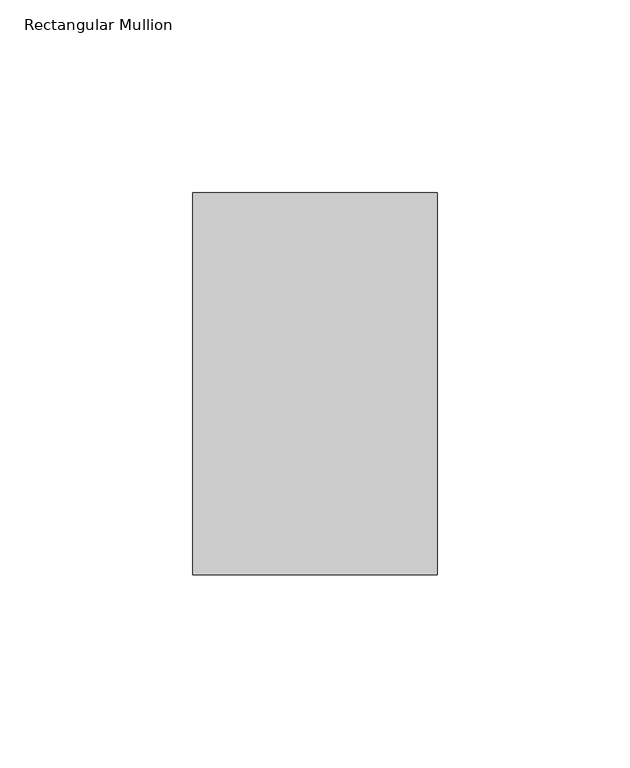
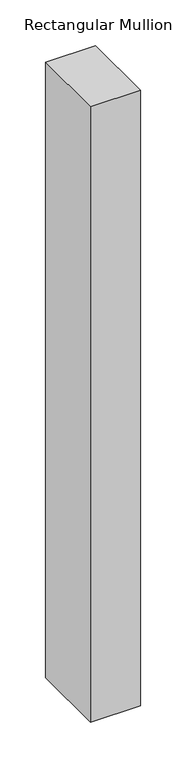
"""IFC4 building model written with IfcOpenShell, lengths in millimetres: member geometry, Rectangular Mullion."""

import ifcopenshell
import ifcopenshell.guid

model = None  # the IFC model being written
_history = None  # IfcOwnerHistory: only IFC2X3 demands one
_inside = {}  # id of a spatial element -> (the spatial element, [elements in it])
_under = {}  # id of a project, library or spatial element -> (it, [spatial elements below it])
_declared = {}  # id of a project -> (the project, [libraries it declares])
_typed = {}  # id of a type object -> (the type object, [elements of that type])
_made_of = {}  # id of a material, layer set ... -> (it, [elements and type objects made of it])


def new_model(schema):
    """Start an empty IFC model of exactly this schema.

    Asked for "IFC4X3", IfcOpenShell would pick the latest addendum, in which some entities
    have other attributes; the version numbers below select the first issue.
    IFC2X3 requires an IfcOwnerHistory on every rooted entity: one is made here for all.
    """
    global model, _history
    if schema == "IFC4X3":
        model = ifcopenshell.file(schema_version=(4, 3, 0, 0))
    else:
        model = ifcopenshell.file(schema=schema)
    _inside.clear()
    _under.clear()
    _declared.clear()
    _typed.clear()
    _made_of.clear()
    _history = None
    if model.schema == "IFC2X3":
        org = make("IfcOrganization", Name="unknown")
        user = make(
            "IfcPersonAndOrganization",
            ThePerson=make("IfcPerson", FamilyName="unknown"),
            TheOrganization=org,
        )
        app = make(
            "IfcApplication",
            ApplicationDeveloper=org,
            Version="unknown",
            ApplicationFullName="unknown",
            ApplicationIdentifier="unknown",
        )
        _history = make(
            "IfcOwnerHistory",
            OwningUser=user,
            OwningApplication=app,
            ChangeAction="ADDED",
            CreationDate=0,
        )
    return model


def make(cls, **values):
    """One entity of the class cls with the attributes given. An attribute that is None is left unset."""
    return model.create_entity(
        cls, **{name: value for name, value in values.items() if value is not None}
    )


def rooted(cls, **values):
    """An entity with a GlobalId (a new one), such as an element, a storey or a relation."""
    return make(cls, GlobalId=ifcopenshell.guid.new(), OwnerHistory=_history, **values)


def si_unit(unit_type, name, prefix=None):
    """IfcSIUnit, for example si_unit("LENGTHUNIT", "METRE", prefix="MILLI")."""
    return make("IfcSIUnit", UnitType=unit_type, Prefix=prefix, Name=name)


def assignment(units):
    """IfcUnitAssignment: the units of a project."""
    return None if units is None else make("IfcUnitAssignment", Units=units)


def point(xyz):
    """IfcCartesianPoint."""
    return None if xyz is None else make("IfcCartesianPoint", Coordinates=xyz)


def direction(xyz):
    """IfcDirection."""
    return None if xyz is None else make("IfcDirection", DirectionRatios=xyz)


def frame(location, z_axis=None, x_axis=None):
    """IfcAxis2Placement3D, a coordinate frame: its origin and axes. An axis left out is left unset."""
    return make(
        "IfcAxis2Placement3D",
        Location=point(location),
        Axis=direction(z_axis),
        RefDirection=direction(x_axis),
    )


def origin():
    """The frame at (0, 0, 0) with its axes left unset."""
    return frame((0.0, 0.0, 0.0))


def place(relative_to, where):
    """IfcLocalPlacement: puts the frame where relative to a parent placement (None: the world)."""
    return make(
        "IfcLocalPlacement", PlacementRelTo=relative_to, RelativePlacement=where
    )


def context(
    kind, dimensions, precision=None, world=None, true_north=None, identifier=None
):
    """IfcGeometricRepresentationContext, for example the 3D "Model" context."""
    return make(
        "IfcGeometricRepresentationContext",
        ContextIdentifier=identifier,
        ContextType=kind,
        CoordinateSpaceDimension=dimensions,
        Precision=precision,
        WorldCoordinateSystem=world,
        TrueNorth=true_north,
    )


def project(units=None, contexts=None):
    """IfcProject with its units and contexts."""
    return rooted(
        "IfcProject",
        Name="project",
        RepresentationContexts=contexts,
        UnitsInContext=assignment(units),
    )


def spatial(cls, under=None, at=None, **own):
    """A site, building, storey or space (cls), placed at a placement, below another one or the project."""
    s = rooted(cls, ObjectPlacement=at, **own)
    if under is not None:
        _under.setdefault(under.id(), (under, []))[1].append(s)
    return s


def polyline(points):
    """IfcPolyline through the points."""
    return make("IfcPolyline", Points=[point(p) for p in points])


def outline(outer, holes=None, kind="AREA"):
    """IfcArbitraryClosedProfileDef: a profile drawn as a closed curve; with holes, ...WithVoids."""
    if holes is None:
        return make("IfcArbitraryClosedProfileDef", ProfileType=kind, OuterCurve=outer)
    return make(
        "IfcArbitraryProfileDefWithVoids",
        ProfileType=kind,
        OuterCurve=outer,
        InnerCurves=holes,
    )


def extrude(swept, where, along, depth):
    """IfcExtrudedAreaSolid: the profile swept, set in the frame where, extruded along a direction by depth."""
    return make(
        "IfcExtrudedAreaSolid",
        SweptArea=swept,
        Position=where,
        ExtrudedDirection=direction(along),
        Depth=depth,
    )


def shape(context_of_items, identifier, shape_type, items):
    """IfcShapeRepresentation: the items that make up one representation, for example the "Body"."""
    return make(
        "IfcShapeRepresentation",
        ContextOfItems=context_of_items,
        RepresentationIdentifier=identifier,
        RepresentationType=shape_type,
        Items=items,
    )


def source(mapping_origin, context_of_items, identifier, shape_type, items):
    """IfcRepresentationMap: a shape defined once, which mapped items show again and again."""
    return make(
        "IfcRepresentationMap",
        MappingOrigin=mapping_origin,
        MappedRepresentation=shape(context_of_items, identifier, shape_type, items),
    )


def transform(
    local_origin,
    x_axis=None,
    y_axis=None,
    z_axis=None,
    scale=None,
    scale2=None,
    scale3=None,
    uniform=True,
):
    """IfcCartesianTransformationOperator3D, or its non-uniform kind. x_axis, y_axis, z_axis: its Axis1, 2, 3."""
    if uniform:
        return make(
            "IfcCartesianTransformationOperator3D",
            Axis1=direction(x_axis),
            Axis2=direction(y_axis),
            LocalOrigin=point(local_origin),
            Scale=scale,
            Axis3=direction(z_axis),
        )
    return make(
        "IfcCartesianTransformationOperator3DnonUniform",
        Axis1=direction(x_axis),
        Axis2=direction(y_axis),
        LocalOrigin=point(local_origin),
        Scale=scale,
        Axis3=direction(z_axis),
        Scale2=scale2,
        Scale3=scale3,
    )


def mapped(mapping_source, mapping_target):
    """IfcMappedItem: shows the shape of a source again, moved by a transform."""
    return make(
        "IfcMappedItem", MappingSource=mapping_source, MappingTarget=mapping_target
    )


def made_of(thing, what):
    """Note that an element or type object is made of a material, layer set ...; save() writes the relation."""
    if what is not None:
        _made_of.setdefault(what.id(), (what, []))[1].append(thing)
    return thing


def element(
    cls,
    number,
    at=None,
    inside=None,
    cuts=None,
    type_object=None,
    material=None,
    context=None,
    identifier="Body",
    shape_type=None,
    held_by="IfcProductDefinitionShape",
    body=None,
    shapes=None,
    **own,
):
    """One element of the class cls, such as IfcWall. Its Tag is "e" and its number.

    at: its placement. inside: the storey or other place that contains it. cuts: it is an
    opening in that element (IfcRelVoidsElement). A single representation is given by context,
    identifier, shape_type and body (its items); several are given by shapes. held_by: the class
    of the entity that holds the representations. save() writes the other relations.
    """
    e = rooted(cls, Tag="e%d" % number, ObjectPlacement=at, **own)
    if body is not None:
        shapes = [shape(context, identifier, shape_type, body)]
    if shapes is not None:
        e.Representation = make(held_by, Representations=shapes)
    if inside is not None:
        _inside.setdefault(inside.id(), (inside, []))[1].append(e)
    if cuts is not None:
        rooted(
            "IfcRelVoidsElement", RelatingBuildingElement=cuts, RelatedOpeningElement=e
        )
    if type_object is not None:
        _typed.setdefault(type_object.id(), (type_object, []))[1].append(e)
    return made_of(e, material)


def aggregate(whole, parts):
    """IfcRelAggregates: a whole, such as a stair, and the parts it consists of."""
    return rooted("IfcRelAggregates", RelatingObject=whole, RelatedObjects=parts)


def save(model, path):
    """Write the relations noted so far, then the file.

    IfcRelAggregates (storeys below a building ...), IfcRelContainedInSpatialStructure (elements
    in a storey), IfcRelDefinesByType, IfcRelAssociatesMaterial and IfcRelDeclares: one each for
    every whole, place, type object, material and project.
    """
    for whole, parts in _under.values():
        aggregate(whole, parts)
    for where, things in _inside.values():
        rooted(
            "IfcRelContainedInSpatialStructure",
            RelatedElements=things,
            RelatingStructure=where,
        )
    for kind, things in _typed.values():
        rooted("IfcRelDefinesByType", RelatedObjects=things, RelatingType=kind)
    for what, things in _made_of.values():
        rooted("IfcRelAssociatesMaterial", RelatedObjects=things, RelatingMaterial=what)
    for by, libraries in _declared.values():
        rooted("IfcRelDeclares", RelatingContext=by, RelatedDefinitions=libraries)
    model.write(path)


def rectangular_mullion_b6109ec7(model_context):
    return source(origin(), model_context, "Body", "SweptSolid", [
        extrude(outline(polyline([(31.75, 138.7038437), (31.75, 39.3898437), (-31.75, 39.3898437), (-31.75, 138.7038437), (31.75, 138.7038437)])), frame((0.0, 0.0, -825.4909101), z_axis=(0.0, 0.0, 1.0), x_axis=(1.0, 0.0, 0.0)), (0.0, 0.0, 1.0), 825.4909101),
    ])


if __name__ == "__main__":
    model = new_model("IFC4")
    model_context = context("Model", 3, world=origin())
    ifc_project = project(units=[si_unit("LENGTHUNIT", "METRE", prefix="MILLI")], contexts=[model_context])
    site = spatial("IfcSite", under=ifc_project)
    building = spatial("IfcBuilding", under=site)
    placement = place(None, origin())
    rectangular_mullion_shape = rectangular_mullion_b6109ec7(model_context)
    element("IfcMember", 1, ObjectType="Rectangular Mullion", at=placement, inside=building, context=model_context, shape_type="MappedRepresentation", body=[
        mapped(rectangular_mullion_shape, transform((0.0, 0.0, 0.0), x_axis=(1.0, 0.0, 0.0), y_axis=(0.0, 1.0, 0.0), z_axis=(0.0, 0.0, 1.0))),
    ])
    save(model, "model.ifc")
